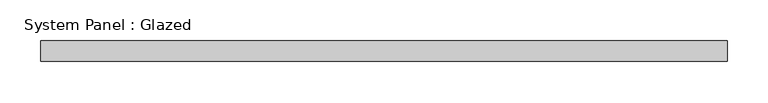
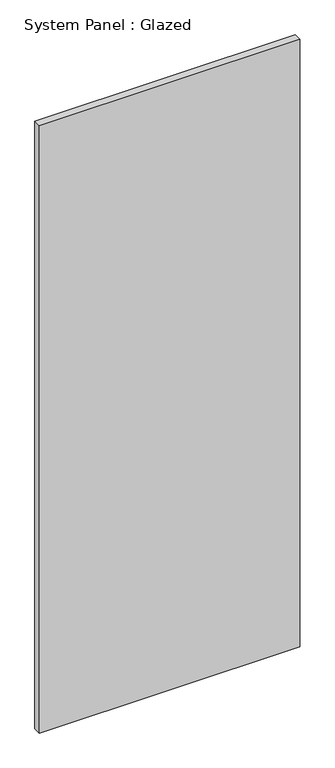
"""IFC4 building model written with IfcOpenShell, lengths in millimetres: plate geometry, System Panel : Glazed."""

from ifc_helpers import new_model, si_unit, origin, origin_with_axes, place, context, project, spatial, polyline, outline, extrude, source, transform, mapped, element, save


def system_panel_glazed_46ad0ba9(model_context):
    return source(origin(), model_context, "Body", "SweptSolid", [
        extrude(outline(polyline([(421.0584573, 19.05), (-421.0584573, 19.05), (-421.0584573, 44.45), (421.0584573, 44.45), (421.0584573, 19.05)])), origin_with_axes(), (0.0, 0.0, 1.0), 2076.45),
    ])


if __name__ == "__main__":
    model = new_model("IFC4")
    model_context = context("Model", 3, world=origin())
    ifc_project = project(units=[si_unit("LENGTHUNIT", "METRE", prefix="MILLI")], contexts=[model_context])
    site = spatial("IfcSite", under=ifc_project)
    building = spatial("IfcBuilding", under=site)
    placement = place(None, origin())
    system_panel_glazed_shape = system_panel_glazed_46ad0ba9(model_context)
    element("IfcPlate", 1, ObjectType="System Panel : Glazed", at=placement, inside=building, context=model_context, shape_type="MappedRepresentation", body=[
        mapped(system_panel_glazed_shape, transform((0.0, 0.0, 0.0), x_axis=(1.0, 0.0, 0.0), y_axis=(0.0, 1.0, 0.0), z_axis=(0.0, 0.0, 1.0))),
    ])
    save(model, "model.ifc")
